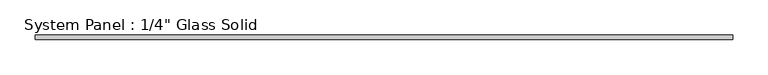
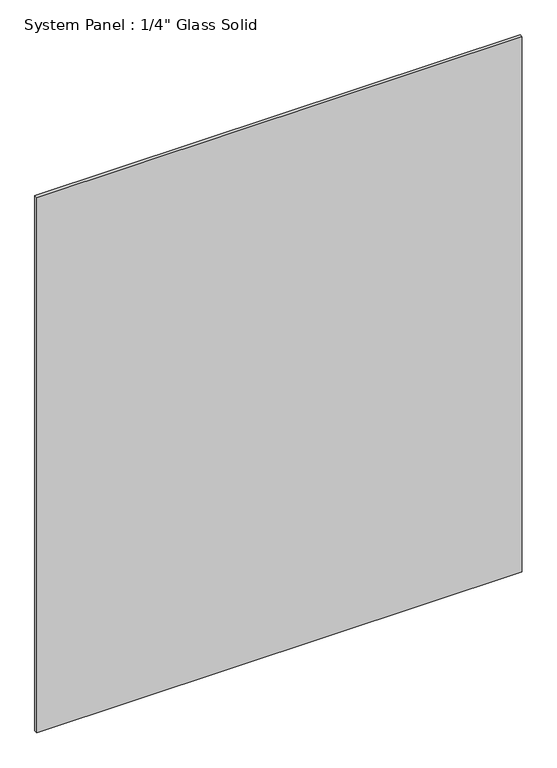
"""IFC4 building model written with IfcOpenShell, lengths in millimetres: plate geometry."""

from ifc_helpers import new_model, si_unit, origin, origin_with_axes, place, context, project, spatial, polyline, outline, extrude, source, transform, mapped, element, save


def plate_97215015(model_context):
    return source(origin(), model_context, "Body", "SweptSolid", [
        extrude(outline(polyline([(495.3008852, -3.175), (-495.3008852, -3.175), (-495.3008852, 3.175), (495.3008852, 3.175), (495.3008852, -3.175)])), origin_with_axes(), (0.0, 0.0, 1.0), 1154.5441382),
    ])


if __name__ == "__main__":
    model = new_model("IFC4")
    model_context = context("Model", 3, world=origin())
    ifc_project = project(units=[si_unit("LENGTHUNIT", "METRE", prefix="MILLI")], contexts=[model_context])
    site = spatial("IfcSite", under=ifc_project)
    building = spatial("IfcBuilding", under=site)
    placement = place(None, origin())
    plate_shape = plate_97215015(model_context)
    element("IfcPlate", 1, ObjectType="System Panel : 1/4\" Glass Solid", at=placement, inside=building, context=model_context, shape_type="MappedRepresentation", body=[
        mapped(plate_shape, transform((0.0, 0.0, 0.0), x_axis=(1.0, 0.0, 0.0), y_axis=(0.0, 1.0, 0.0), z_axis=(0.0, 0.0, 1.0))),
    ])
    save(model, "model.ifc")
